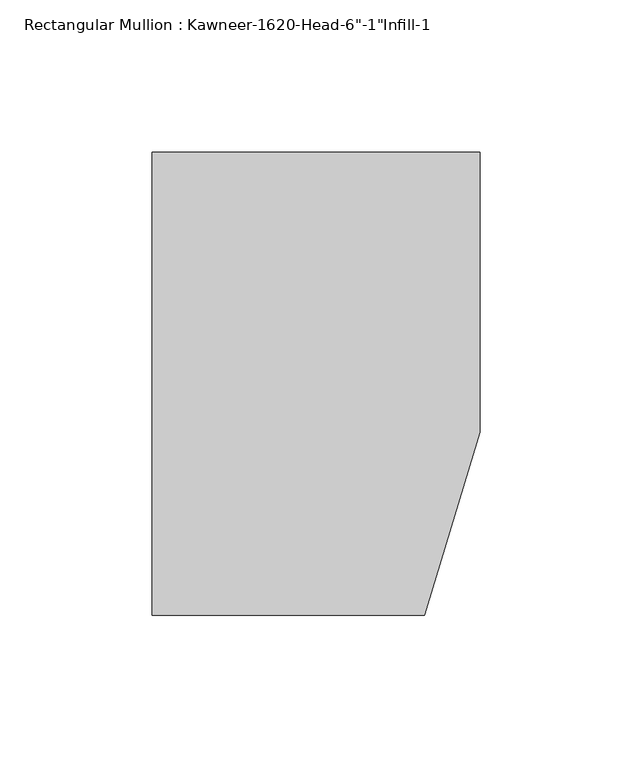
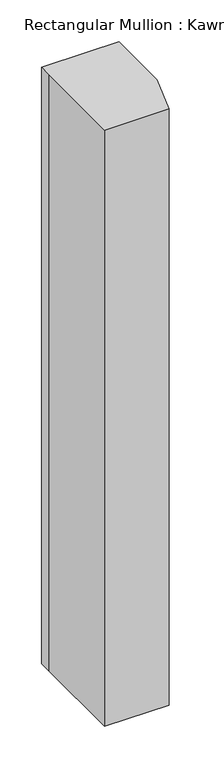
"""IFC4 building model written with IfcOpenShell, lengths in millimetres: member geometry."""

from ifc_helpers import new_model, si_unit, frame, origin, place, context, project, spatial, polyline, outline, extrude, source, transform, mapped, element, save


def member_f4d3d597(model_context):
    return source(origin(), model_context, "Body", "SweptSolid", [
        extrude(outline(polyline([(-107.95, 19.9095466), (-107.95, 38.1), (-44.1519366, 38.1), (0.0, 38.1), (0.0, -53.975), (-18.3538271, -114.3), (-107.95, -114.3), (-107.95, 19.9095466)])), frame((0.0, 0.0, -876.3), z_axis=(0.0, 0.0, 1.0), x_axis=(1.0, 0.0, 0.0)), (0.0, 0.0, 1.0), 876.3),
    ])


if __name__ == "__main__":
    model = new_model("IFC4")
    model_context = context("Model", 3, world=origin())
    ifc_project = project(units=[si_unit("LENGTHUNIT", "METRE", prefix="MILLI")], contexts=[model_context])
    site = spatial("IfcSite", under=ifc_project)
    building = spatial("IfcBuilding", under=site)
    placement = place(None, origin())
    member_shape = member_f4d3d597(model_context)
    element("IfcMember", 1, ObjectType="Rectangular Mullion : Kawneer-1620-Head-6\"-1\"Infill-1", at=placement, inside=building, context=model_context, shape_type="MappedRepresentation", body=[
        mapped(member_shape, transform((0.0, 0.0, 0.0), x_axis=(1.0, 0.0, 0.0), y_axis=(0.0, 1.0, 0.0), z_axis=(0.0, 0.0, 1.0))),
    ])
    save(model, "model.ifc")
